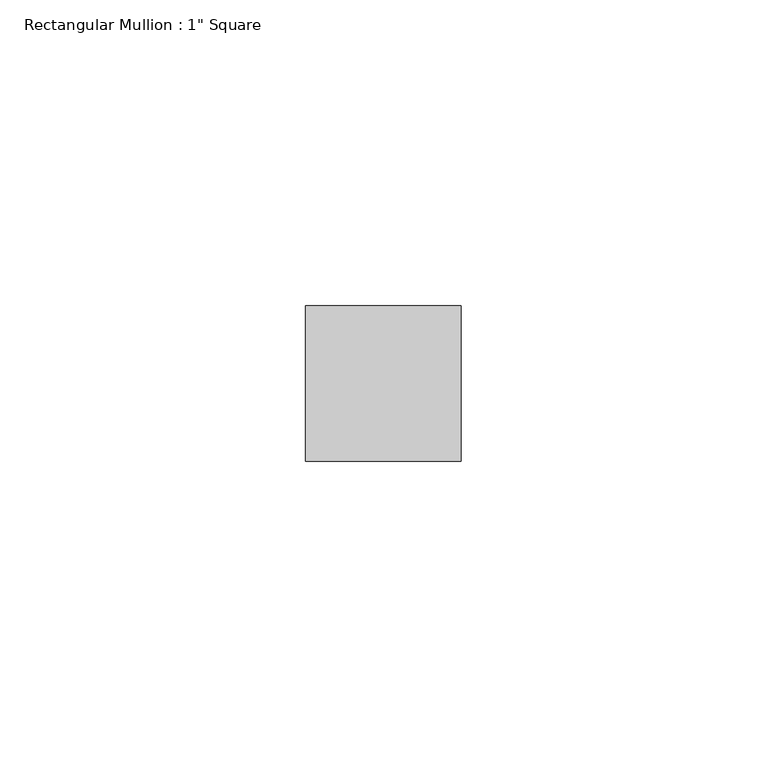
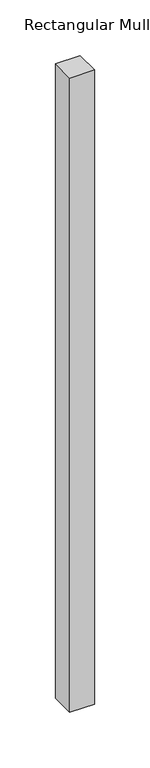
"""IFC4 building model written with IfcOpenShell, lengths in millimetres: member geometry."""

from ifc_helpers import new_model, si_unit, frame, origin, place, context, project, spatial, polyline, outline, extrude, source, transform, mapped, element, save


def member_4613ce2c(model_context):
    return source(origin(), model_context, "Body", "SweptSolid", [
        extrude(outline(polyline([(12.7, 12.7), (12.7, -12.7), (-12.7, -12.7), (-12.7, 12.7), (12.7, 12.7)])), frame((0.0, 0.0, -693.7510143), z_axis=(0.0, 0.0, 1.0), x_axis=(1.0, 0.0, 0.0)), (0.0, 0.0, 1.0), 693.7510143),
    ])


if __name__ == "__main__":
    model = new_model("IFC4")
    model_context = context("Model", 3, world=origin())
    ifc_project = project(units=[si_unit("LENGTHUNIT", "METRE", prefix="MILLI")], contexts=[model_context])
    site = spatial("IfcSite", under=ifc_project)
    building = spatial("IfcBuilding", under=site)
    placement = place(None, origin())
    member_shape = member_4613ce2c(model_context)
    element("IfcMember", 1, ObjectType="Rectangular Mullion : 1\" Square", at=placement, inside=building, context=model_context, shape_type="MappedRepresentation", body=[
        mapped(member_shape, transform((0.0, 0.0, 0.0), x_axis=(1.0, 0.0, 0.0), y_axis=(0.0, 1.0, 0.0), z_axis=(0.0, 0.0, 1.0))),
    ])
    save(model, "model.ifc")
